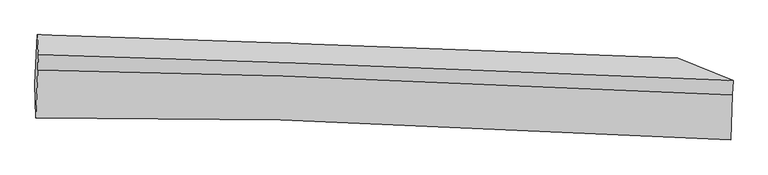
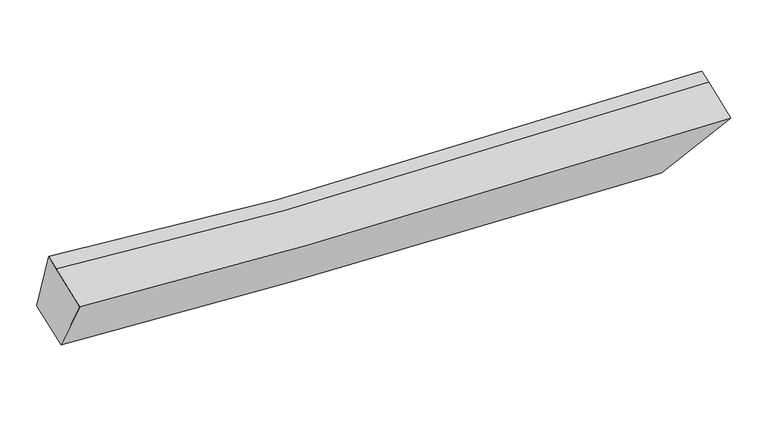
"""IFC4 building model written with IfcOpenShell, lengths in millimetres: proxy geometry."""

from ifc_helpers import new_model, si_unit, frame, origin, place, context, project, spatial, source, transform, mapped, element, save
from ifc_brep_helpers import plane_surface, spline_curve, spline_surface, advanced_brep


def generic_models_25ccc2eb(model_context):
    return source(origin(), model_context, "Body", "AdvancedBrep", [
        advanced_brep(
        [(-2589.1692725, -1935.6900427, 3500.4453319), (-2609.4456111, -2409.7028802, 3362.5290049), (4260.9517268, -2626.7866133, 3240.472711), (4280.0481815, -2180.3566713, 3370.3636612), (-2617.4108447, -2072.3420064, 2731.8047314), (3721.5878966, -2268.6898415, 2586.0978069), (-2596.6121547, -1586.1178297, 2873.2740065), (3740.9406043, -1816.2693117, 2717.7317476), (-2582.6031701, -1782.1901006, 3545.1068823), (4285.9987118, -2041.2473487, 3410.8381912)],
        [
            (0, 1),
            (1, 2, spline_curve(3, [(-2609.4456111, -2409.7028802, 3362.5290049), (-1819.451402123, -2404.931176599, 3300.264218268), (-1011.743469074, -2411.603999807, 3255.341019904), (1242.988436735, -2461.09357492, 3179.998754875), (2725.412949756, -2526.781996084, 3184.236521959), (4260.9517268, -2626.7866133, 3240.472711)], [4, 2, 4], [0.0, 8.26157246156163, 22.567412510479482])),
            (2, 3),
            (3, 0, spline_curve(3, [(4280.0481815, -2180.3566713, 3370.3636612), (2743.608332999, -2101.416981534, 3307.998529831), (1261.011996908, -2039.745374522, 3302.592051247), (-992.840571929, -1969.698971088, 3383.915424563), (-1799.983387063, -1949.815035168, 3432.682460258), (-2589.1692725, -1935.6900427, 3500.4453319)], [4, 2, 4], [0.0, 14.305840048917851, 22.567412510479482])),
            (1, 4),
            (4, 5, spline_curve(3, [(-2617.4108447, -2072.3420064, 2731.8047314), (-1772.282101712, -2069.748949439, 2671.071953058), (-953.362439872, -2076.876526193, 2626.063384863), (1212.015490685, -2122.89930325, 2546.069875116), (2506.095409118, -2181.221005045, 2542.509468152), (3721.5878966, -2268.6898415, 2586.0978069)], [4, 2, 4], [0.0, 7.9432400968259715, 21.697851924543752])),
            (5, 2),
            (4, 6),
            (6, 7, spline_curve(3, [(-2596.6121547, -1586.1178297, 2873.2740065), (-1752.704566694, -1612.07248848, 2804.235132177), (-934.623609982, -1638.807008905, 2753.521829202), (1229.508007491, -1713.965630896, 2665.051104105), (2523.944636961, -1763.948271223, 2663.916987697), (3740.9406043, -1816.2693117, 2717.7317476)], [4, 2, 4], [0.0, 7.6233598855250175, 20.824063221974722])),
            (7, 5),
            (6, 8),
            (8, 9, spline_curve(3, [(-2582.6031701, -1782.1901006, 3545.1068823), (-1793.805488464, -1805.390375653, 3474.703513277), (-986.936260602, -1831.670142533, 3424.075579747), (1266.48205912, -1911.868253053, 3339.798517978), (2749.146792254, -1971.940902173, 3345.670221028), (4285.9987118, -2041.2473487, 3410.8381912)], [4, 2, 4], [0.0, 7.94284627910758, 21.696776167241346])),
            (9, 7),
            (8, 0),
            (3, 9),
        ],
        [
            spline_surface(3, 3, [[(-2589.1692725, -1935.6900427, 3500.4453319), (-1799.983387123, -1949.815035054, 3432.682460314), (-992.840571827, -1969.698970995, 3383.915424668), (1261.011996733, -2039.745374684, 3302.592051065), (2743.608332779, -2101.416981657, 3307.998529798), (4280.0481815, -2180.3566713, 3370.3636612)], [(-2595.92805205, -2093.694321853, 3454.473222903), (-1806.472725442, -2101.520415546, 3388.543046338), (-999.141537614, -2117.000647246, 3341.057289734), (1255.004143412, -2180.194774789, 3261.727619008), (2737.543205141, -2243.205319844, 3266.744527232), (4273.682696593, -2329.166651978, 3327.0666778)], [(-2602.68683155, -2251.698601047, 3408.501113897), (-1812.962063712, -2253.225796078, 3344.403632355), (-1005.442503342, -2264.302323505, 3298.199154818), (1248.99629015, -2320.644174903, 3220.863186968), (2731.478077523, -2384.993657999, 3225.490524665), (4267.317211707, -2477.976632622, 3283.7696944)], [(-2609.4456111, -2409.7028802, 3362.5290049), (-1819.451402031, -2404.93117657, 3300.264218379), (-1011.743469128, -2411.603999756, 3255.341019884), (1242.98843683, -2461.093575008, 3179.998754911), (2725.412949884, -2526.781996187, 3184.236522098), (4260.9517268, -2626.7866133, 3240.472711)]], [4, 4], [4, 2, 4], [0.0, 1.4650403639027636], [0.0, 8.26157246156163, 22.567412510479482]),
            spline_surface(3, 3, [[(-2609.4456111, -2409.7028802, 3362.5290049), (-1819.451402031, -2404.93117657, 3300.264218379), (-1011.743469128, -2411.603999756, 3255.341019884), (1242.98843683, -2461.093575008, 3179.998754911), (2725.412949884, -2526.781996187, 3184.236522098), (4260.9517268, -2626.7866133, 3240.472711)], [(-2612.10068896, -2297.249255605, 3152.287580372), (-1803.72830192, -2293.203767555, 3090.533463236), (-992.283126024, -2300.028175219, 3045.581808238), (1232.664121381, -2348.362151126, 2968.689128253), (2652.307102928, -2411.594999157, 2970.327504103), (4081.163783398, -2507.421022695, 3022.34774295)], [(-2614.75576684, -2184.795630995, 2942.046155928), (-1788.00520183, -2181.476358526, 2880.802708177), (-972.822782882, -2188.452350672, 2835.822596605), (1222.339805971, -2235.630727235, 2757.379501609), (2579.201255978, -2296.408002145, 2756.418486157), (3901.375840002, -2388.055432105, 2804.22277495)], [(-2617.4108447, -2072.3420064, 2731.8047314), (-1772.282101719, -2069.748949511, 2671.071953034), (-953.362439778, -2076.876526134, 2626.063384958), (1212.015490522, -2122.899303353, 2546.069874951), (2506.095409022, -2181.221005115, 2542.509468162), (3721.5878966, -2268.6898415, 2586.0978069)]], [4, 4], [4, 2, 4], [0.0, 2.3576329529536446], [0.0, 7.9432400968259715, 21.697851924543752]),
            spline_surface(3, 3, [[(-2617.4108447, -2072.3420064, 2731.8047314), (-1772.282101719, -2069.748949511, 2671.071953034), (-953.362439778, -2076.876526134, 2626.063384958), (1212.015490522, -2122.899303353, 2546.069874951), (2506.095409022, -2181.221005115, 2542.509468162), (3721.5878966, -2268.6898415, 2586.0978069)], [(-2610.477948031, -1910.267280837, 2778.961156462), (-1765.75625672, -1917.190129166, 2715.459679461), (-947.116163177, -1930.85335367, 2668.549533034), (1217.846329528, -1986.588079238, 2585.730284695), (2512.045151721, -2042.13009389, 2582.978641312), (3728.038799155, -2117.882998245, 2629.975787122)], [(-2603.545051369, -1748.192555263, 2826.117581438), (-1759.230411727, -1764.631308811, 2759.847405804), (-940.869886598, -1784.830181267, 2711.035681092), (1223.67716851, -1850.276855185, 2625.390694422), (2517.994894454, -1903.039182627, 2623.447814496), (3734.489701745, -1967.076154955, 2673.853767378)], [(-2596.6121547, -1586.1178297, 2873.2740065), (-1752.704566727, -1612.072488466, 2804.235132231), (-934.623609997, -1638.807008804, 2753.521829167), (1229.508007516, -1713.965631071, 2665.051104166), (2523.944637154, -1763.948271402, 2663.916987645), (3740.9406043, -1816.2693117, 2717.7317476)]], [4, 4], [4, 2, 4], [0.0, 1.433865811328463], [0.0, 7.6233598855250175, 20.824063221974722]),
            spline_surface(3, 3, [[(-2596.6121547, -1586.1178297, 2873.2740065), (-1752.704566727, -1612.072488466, 2804.235132231), (-934.623609997, -1638.807008804, 2753.521829167), (1229.508007516, -1713.965631071, 2665.051104166), (2523.944637154, -1763.948271402, 2663.916987645), (3740.9406043, -1816.2693117, 2717.7317476)], [(-2591.942493174, -1651.475253343, 3097.218298413), (-1766.404873945, -1676.511784218, 3027.724592574), (-952.061160208, -1703.094720078, 2977.039746013), (1241.832691432, -1779.933171708, 2889.966908765), (2599.012022168, -1833.279148305, 2891.168065513), (3922.62664014, -1891.26199071, 2948.767228829)], [(-2587.272831626, -1716.832676957, 3321.162590387), (-1780.10518114, -1740.951079941, 3251.214052977), (-969.498710454, -1767.382431319, 3200.557662891), (1254.157375313, -1845.900712311, 3114.882713395), (2674.079407162, -1902.610025177, 3118.419143294), (4104.31267596, -1966.25466969, 3179.802709971)], [(-2582.6031701, -1782.1901006, 3545.1068823), (-1793.805488357, -1805.390375693, 3474.70351332), (-986.936260665, -1831.670142594, 3424.075579737), (1266.482059229, -1911.868252948, 3339.798517995), (2749.146792177, -1971.940902081, 3345.670221162), (4285.9987118, -2041.2473487, 3410.8381912)]], [4, 4], [4, 2, 4], [0.0, 2.3082068130219002], [0.0, 7.94284627910758, 21.696776167241346]),
            spline_surface(3, 3, [[(-2582.6031701, -1782.1901006, 3545.1068823), (-1793.805488357, -1805.390375693, 3474.70351332), (-986.936260665, -1831.670142594, 3424.075579737), (1266.482059229, -1911.868252948, 3339.798517995), (2749.146792177, -1971.940902081, 3345.670221162), (4285.9987118, -2041.2473487, 3410.8381912)], [(-2584.791870885, -1833.356747962, 3530.219698851), (-1795.864787931, -1853.531928809, 3460.696495669), (-988.904364373, -1877.679752069, 3410.688861396), (1264.658705077, -1954.493960202, 3327.396362366), (2747.300639058, -2015.099595245, 3333.112990707), (4284.015201714, -2087.617122872, 3397.346681199)], [(-2586.980571715, -1884.523395338, 3515.332515349), (-1797.92408755, -1901.673481938, 3446.689477965), (-990.87246812, -1923.689361519, 3397.302143009), (1262.835350885, -1997.11966743, 3314.994206693), (2745.454485898, -2058.258288493, 3320.555760254), (4282.031691586, -2133.986897128, 3383.855171201)], [(-2589.1692725, -1935.6900427, 3500.4453319), (-1799.983387123, -1949.815035054, 3432.682460314), (-992.840571827, -1969.698970995, 3383.915424668), (1261.011996733, -2039.745374684, 3302.592051065), (2743.608332779, -2101.416981657, 3307.998529798), (4280.0481815, -2180.3566713, 3370.3636612)]], [4, 4], [4, 2, 4], [0.0, 0.44904878002439325], [0.0, 8.261488236466272, 22.56718244017755]),
            plane_surface(frame((4002.3697349, -2188.2482788, 2988.7851142), z_axis=(0.799722986904668, 0.13593497431118765, -0.5847775876136957), x_axis=(0.5989649533192489, -0.24722861212222055, 0.7616554326225152))),
            plane_surface(frame((-2601.5179451, -1962.5882042, 3128.1786563), z_axis=(-0.9989571349759263, 0.033800539799098285, 0.030694722510204775), x_axis=(0.04103813971837547, 0.9593746380362217, 0.27913468967744554))),
        ],
        [
            (0, [[1, 2, 3, 4]]),
            (1, [[5, 6, 7, -2]]),
            (2, [[8, 9, 10, -6]]),
            (3, [[11, 12, 13, -9]]),
            (4, [[14, -4, 15, -12]]),
            (5, [[-13, -15, -3, -7, -10]]),
            (6, [[-14, -11, -8, -5, -1]]),
        ],
    ),
    ])


if __name__ == "__main__":
    model = new_model("IFC4")
    model_context = context("Model", 3, world=origin())
    ifc_project = project(units=[si_unit("LENGTHUNIT", "METRE", prefix="MILLI")], contexts=[model_context])
    site = spatial("IfcSite", under=ifc_project)
    building = spatial("IfcBuilding", under=site)
    placement = place(None, origin())
    generic_models_shape = generic_models_25ccc2eb(model_context)
    element("IfcBuildingElementProxy", 1, Name="Generic Models", at=placement, inside=building, context=model_context, shape_type="MappedRepresentation", body=[
        mapped(generic_models_shape, transform((0.0, 0.0, 0.0), x_axis=(1.0, 0.0, 0.0), y_axis=(0.0, 1.0, 0.0), z_axis=(0.0, 0.0, 1.0))),
    ])
    save(model, "model.ifc")
